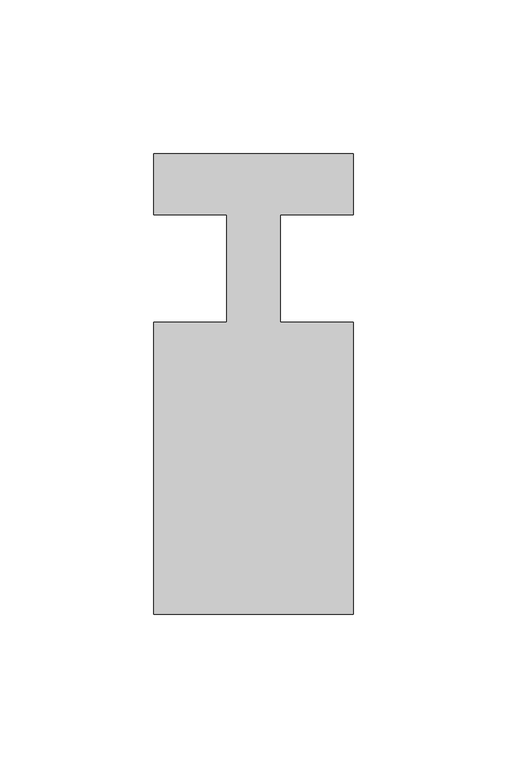
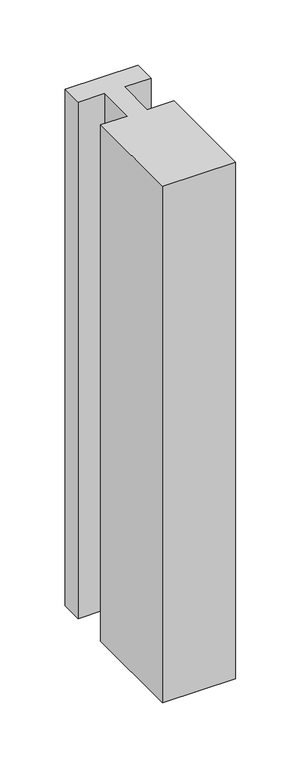
"""IFC4 building model written with IfcOpenShell, lengths in millimetres: member geometry."""

from ifc_helpers import new_model, si_unit, frame, origin, place, context, project, spatial, polyline, outline, extrude, source, transform, mapped, element, save


def member_1d251c49(model_context):
    return source(origin(), model_context, "Body", "SweptSolid", [
        extrude(outline(polyline([(-32.5, 37.0), (32.5, 37.0), (32.5, 17.0), (8.6875, 17.0), (8.6875, -18.0), (32.5, -18.0), (32.5, -113.0), (-32.5, -113.0), (-32.5, -18.0), (-8.6875, -18.0), (-8.6875, 17.0), (-32.5, 17.0), (-32.5, 37.0)])), frame((0.0, 0.0, -484.4231764), z_axis=(0.0, 0.0, 1.0), x_axis=(1.0, 0.0, 0.0)), (0.0, 0.0, 1.0), 484.4231764),
    ])


if __name__ == "__main__":
    model = new_model("IFC4")
    model_context = context("Model", 3, world=origin())
    ifc_project = project(units=[si_unit("LENGTHUNIT", "METRE", prefix="MILLI")], contexts=[model_context])
    site = spatial("IfcSite", under=ifc_project)
    building = spatial("IfcBuilding", under=site)
    placement = place(None, origin())
    member_shape = member_1d251c49(model_context)
    element("IfcMember", 1, at=placement, inside=building, context=model_context, shape_type="MappedRepresentation", body=[
        mapped(member_shape, transform((0.0, 0.0, 0.0), x_axis=(1.0, 0.0, 0.0), y_axis=(0.0, 1.0, 0.0), z_axis=(0.0, 0.0, 1.0))),
    ])
    save(model, "model.ifc")
